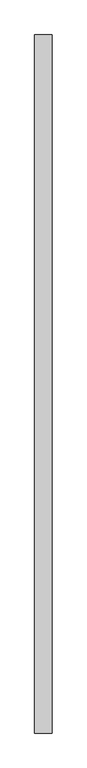
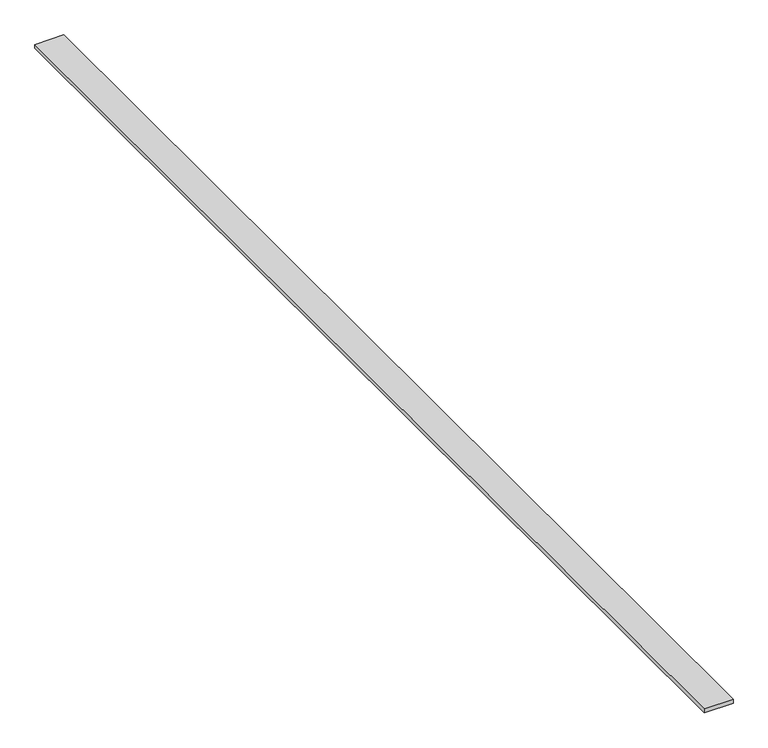
"""IFC4 building model written with IfcOpenShell, lengths in millimetres: proxy geometry."""

from ifc_helpers import new_model, si_unit, origin, origin_with_axes, place, context, project, spatial, polyline, outline, extrude, source, transform, mapped, element, save


def generic_models_3cd600d8(model_context):
    return source(origin(), model_context, "Body", "SweptSolid", [
        extrude(outline(polyline([(26.7544115, 408.8971584), (26.7544115, -1585.4586554), (-23.2455885, -1585.4586554), (-23.2455885, 408.8971584), (26.7544115, 408.8971584)])), origin_with_axes(), (0.0, 0.0, 1.0), 7.0),
    ])


if __name__ == "__main__":
    model = new_model("IFC4")
    model_context = context("Model", 3, world=origin())
    ifc_project = project(units=[si_unit("LENGTHUNIT", "METRE", prefix="MILLI")], contexts=[model_context])
    site = spatial("IfcSite", under=ifc_project)
    building = spatial("IfcBuilding", under=site)
    placement = place(None, origin())
    generic_models_shape = generic_models_3cd600d8(model_context)
    element("IfcBuildingElementProxy", 1, Name="Generic Models", at=placement, inside=building, context=model_context, shape_type="MappedRepresentation", body=[
        mapped(generic_models_shape, transform((0.0, 0.0, 0.0), x_axis=(1.0, 0.0, 0.0), y_axis=(0.0, 1.0, 0.0), z_axis=(0.0, 0.0, 1.0))),
    ])
    save(model, "model.ifc")
